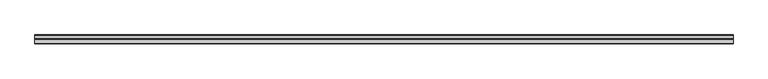
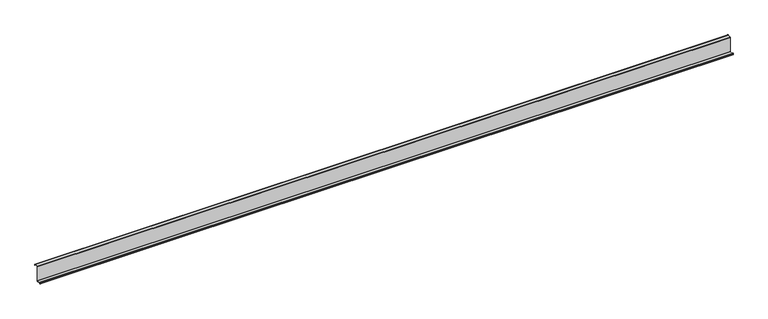
"""IFC4 building model written with IfcOpenShell, lengths in millimetres: member geometry."""

from ifc_helpers import new_model, si_unit, point, frame, frame_2d, origin, place, context, project, spatial, polyline, circle_curve, trimmed, segment, composite_curve, outline, extrude, source, transform, mapped, element, save


def member_0d6695d7(model_context):
    return source(origin(), model_context, "Body", "SweptSolid", [
        extrude(outline(composite_curve([segment(trimmed(circle_curve(frame_2d((-3.5, -123.5)), 3.5), [point((0.0, -123.5))], [point((-3.5, -127.0))], False, "CARTESIAN"), True, "CONTINUOUS"), segment(polyline([(-3.5, -127.0), (-75.0, -127.0)]), True, "CONTINUOUS"), segment(trimmed(circle_curve(frame_2d((-75.0, -123.5)), 3.5), [point((-75.0, -127.0))], [point((-78.5, -123.5))], False, "CARTESIAN"), True, "CONTINUOUS"), segment(polyline([(-78.5, -123.5), (-78.5, -107.5), (-77.0, -107.5), (-77.0, -123.5)]), True, "CONTINUOUS"), segment(trimmed(circle_curve(frame_2d((-75.0, -123.5)), 2.0), [point((-77.0, -123.5))], [point((-75.0, -125.5))], True, "CARTESIAN"), True, "CONTINUOUS"), segment(polyline([(-75.0, -125.5), (-3.5, -125.5)]), True, "CONTINUOUS"), segment(trimmed(circle_curve(frame_2d((-3.5, -123.5)), 2.0), [point((-3.5, -125.5))], [point((-1.5, -123.5))], True, "CARTESIAN"), True, "CONTINUOUS"), segment(polyline([(-1.5, -123.5), (-1.5, 123.5)]), True, "CONTINUOUS"), segment(trimmed(circle_curve(frame_2d((2.0, 123.5)), 3.5), [point((-1.5, 123.5))], [point((2.0, 127.0))], False, "CARTESIAN"), True, "CONTINUOUS"), segment(polyline([(2.0, 127.0), (63.5, 127.0)]), True, "CONTINUOUS"), segment(trimmed(circle_curve(frame_2d((63.5, 123.5)), 3.5), [point((63.5, 127.0))], [point((67.0, 123.5))], False, "CARTESIAN"), True, "CONTINUOUS"), segment(polyline([(67.0, 123.5), (67.0, 107.0), (65.5, 107.0), (65.5, 123.5)]), True, "CONTINUOUS"), segment(trimmed(circle_curve(frame_2d((63.5, 123.5)), 2.0), [point((65.5, 123.5))], [point((63.5, 125.5))], True, "CARTESIAN"), True, "CONTINUOUS"), segment(polyline([(63.5, 125.5), (2.0, 125.5)]), True, "CONTINUOUS"), segment(trimmed(circle_curve(frame_2d((2.0, 123.5)), 2.0), [point((2.0, 125.5))], [point((0.0, 123.5))], True, "CARTESIAN"), True, "CONTINUOUS"), segment(polyline([(0.0, 123.5), (0.0, -123.5)]), True, "CONTINUOUS")], self_intersect=False)), frame((-5694.5, 0.0, 0.0), z_axis=(1.0, 0.0, 0.0), x_axis=(0.0, 1.0, 0.0)), (0.0, 0.0, 1.0), 11389.0),
    ])


if __name__ == "__main__":
    model = new_model("IFC4")
    model_context = context("Model", 3, world=origin())
    ifc_project = project(units=[si_unit("LENGTHUNIT", "METRE", prefix="MILLI")], contexts=[model_context])
    site = spatial("IfcSite", under=ifc_project)
    building = spatial("IfcBuilding", under=site)
    placement = place(None, origin())
    member_shape = member_0d6695d7(model_context)
    element("IfcMember", 1, at=placement, inside=building, context=model_context, shape_type="MappedRepresentation", body=[
        mapped(member_shape, transform((0.0, 0.0, 0.0), x_axis=(1.0, 0.0, 0.0), y_axis=(0.0, 1.0, 0.0), z_axis=(0.0, 0.0, 1.0))),
    ])
    save(model, "model.ifc")
